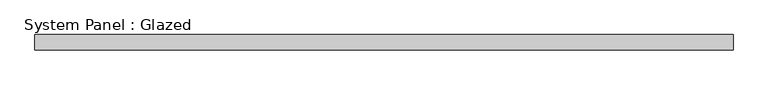
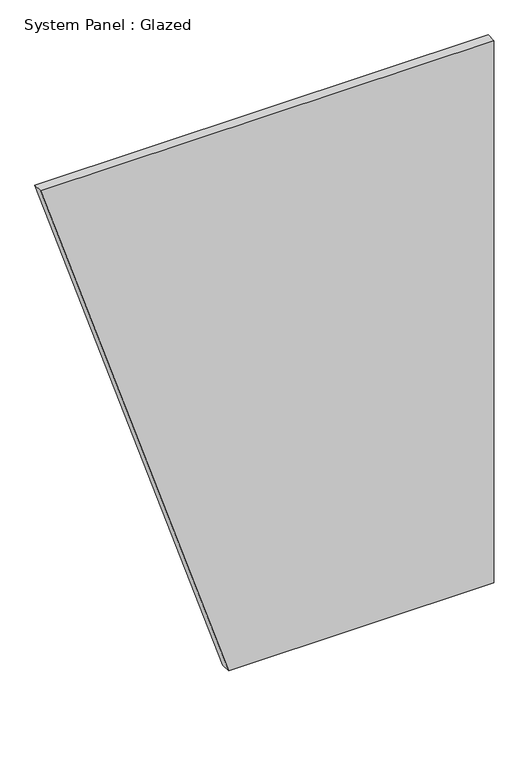
"""IFC4 building model written with IfcOpenShell, lengths in millimetres: plate geometry, System Panel : Glazed."""

from ifc_helpers import new_model, si_unit, frame, origin, place, context, project, spatial, polyline, outline, extrude, source, transform, mapped, element, save


def system_panel_glazed_ac132e8a(model_context):
    return source(origin(), model_context, "Body", "SweptSolid", [
        extrude(outline(polyline([(0.0, -98.4168827), (0.0, 577.251454), (1460.5, 577.251454), (1460.5, -577.251454), (0.0, -98.4168827)])), frame((0.0, -44.45, 0.0), z_axis=(0.0, 1.0, 0.0), x_axis=(0.0, 0.0, 1.0)), (0.0, 0.0, 1.0), 25.4),
    ])


if __name__ == "__main__":
    model = new_model("IFC4")
    model_context = context("Model", 3, world=origin())
    ifc_project = project(units=[si_unit("LENGTHUNIT", "METRE", prefix="MILLI")], contexts=[model_context])
    site = spatial("IfcSite", under=ifc_project)
    building = spatial("IfcBuilding", under=site)
    placement = place(None, origin())
    system_panel_glazed_shape = system_panel_glazed_ac132e8a(model_context)
    element("IfcPlate", 1, ObjectType="System Panel : Glazed", at=placement, inside=building, context=model_context, shape_type="MappedRepresentation", body=[
        mapped(system_panel_glazed_shape, transform((0.0, 0.0, 0.0), x_axis=(1.0, 0.0, 0.0), y_axis=(0.0, 1.0, 0.0), z_axis=(0.0, 0.0, 1.0))),
    ])
    save(model, "model.ifc")
